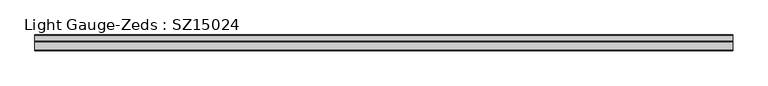
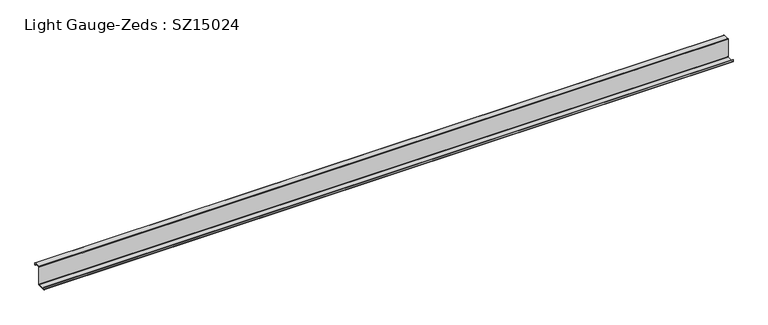
"""IFC4 building model written with IfcOpenShell, lengths in millimetres: beam geometry, Light Gauge-Zeds : SZ15024."""

import ifcopenshell
import ifcopenshell.guid

model = None  # the IFC model being written
_history = None  # IfcOwnerHistory: only IFC2X3 demands one
_inside = {}  # id of a spatial element -> (the spatial element, [elements in it])
_under = {}  # id of a project, library or spatial element -> (it, [spatial elements below it])
_declared = {}  # id of a project -> (the project, [libraries it declares])
_typed = {}  # id of a type object -> (the type object, [elements of that type])
_made_of = {}  # id of a material, layer set ... -> (it, [elements and type objects made of it])


def new_model(schema):
    """Start an empty IFC model of exactly this schema.

    Asked for "IFC4X3", IfcOpenShell would pick the latest addendum, in which some entities
    have other attributes; the version numbers below select the first issue.
    IFC2X3 requires an IfcOwnerHistory on every rooted entity: one is made here for all.
    """
    global model, _history
    if schema == "IFC4X3":
        model = ifcopenshell.file(schema_version=(4, 3, 0, 0))
    else:
        model = ifcopenshell.file(schema=schema)
    _inside.clear()
    _under.clear()
    _declared.clear()
    _typed.clear()
    _made_of.clear()
    _history = None
    if model.schema == "IFC2X3":
        org = make("IfcOrganization", Name="unknown")
        user = make(
            "IfcPersonAndOrganization",
            ThePerson=make("IfcPerson", FamilyName="unknown"),
            TheOrganization=org,
        )
        app = make(
            "IfcApplication",
            ApplicationDeveloper=org,
            Version="unknown",
            ApplicationFullName="unknown",
            ApplicationIdentifier="unknown",
        )
        _history = make(
            "IfcOwnerHistory",
            OwningUser=user,
            OwningApplication=app,
            ChangeAction="ADDED",
            CreationDate=0,
        )
    return model


def make(cls, **values):
    """One entity of the class cls with the attributes given. An attribute that is None is left unset."""
    return model.create_entity(
        cls, **{name: value for name, value in values.items() if value is not None}
    )


def rooted(cls, **values):
    """An entity with a GlobalId (a new one), such as an element, a storey or a relation."""
    return make(cls, GlobalId=ifcopenshell.guid.new(), OwnerHistory=_history, **values)


def si_unit(unit_type, name, prefix=None):
    """IfcSIUnit, for example si_unit("LENGTHUNIT", "METRE", prefix="MILLI")."""
    return make("IfcSIUnit", UnitType=unit_type, Prefix=prefix, Name=name)


def assignment(units):
    """IfcUnitAssignment: the units of a project."""
    return None if units is None else make("IfcUnitAssignment", Units=units)


def point(xyz):
    """IfcCartesianPoint."""
    return None if xyz is None else make("IfcCartesianPoint", Coordinates=xyz)


def direction(xyz):
    """IfcDirection."""
    return None if xyz is None else make("IfcDirection", DirectionRatios=xyz)


def frame(location, z_axis=None, x_axis=None):
    """IfcAxis2Placement3D, a coordinate frame: its origin and axes. An axis left out is left unset."""
    return make(
        "IfcAxis2Placement3D",
        Location=point(location),
        Axis=direction(z_axis),
        RefDirection=direction(x_axis),
    )


def frame_2d(location, x_axis=None):
    """IfcAxis2Placement2D, a coordinate frame in the plane: its origin and x axis."""
    return make(
        "IfcAxis2Placement2D", Location=point(location), RefDirection=direction(x_axis)
    )


def origin():
    """The frame at (0, 0, 0) with its axes left unset."""
    return frame((0.0, 0.0, 0.0))


def place(relative_to, where):
    """IfcLocalPlacement: puts the frame where relative to a parent placement (None: the world)."""
    return make(
        "IfcLocalPlacement", PlacementRelTo=relative_to, RelativePlacement=where
    )


def context(
    kind, dimensions, precision=None, world=None, true_north=None, identifier=None
):
    """IfcGeometricRepresentationContext, for example the 3D "Model" context."""
    return make(
        "IfcGeometricRepresentationContext",
        ContextIdentifier=identifier,
        ContextType=kind,
        CoordinateSpaceDimension=dimensions,
        Precision=precision,
        WorldCoordinateSystem=world,
        TrueNorth=true_north,
    )


def project(units=None, contexts=None):
    """IfcProject with its units and contexts."""
    return rooted(
        "IfcProject",
        Name="project",
        RepresentationContexts=contexts,
        UnitsInContext=assignment(units),
    )


def spatial(cls, under=None, at=None, **own):
    """A site, building, storey or space (cls), placed at a placement, below another one or the project."""
    s = rooted(cls, ObjectPlacement=at, **own)
    if under is not None:
        _under.setdefault(under.id(), (under, []))[1].append(s)
    return s


def polyline(points):
    """IfcPolyline through the points."""
    return make("IfcPolyline", Points=[point(p) for p in points])


def circle_curve(where, radius):
    """IfcCircle in the frame where."""
    return make("IfcCircle", Position=where, Radius=radius)


def trimmed(basis, trim1, trim2, sense, master):
    """IfcTrimmedCurve: the piece of a basis curve between two trims."""
    return make(
        "IfcTrimmedCurve",
        BasisCurve=basis,
        Trim1=trim1,
        Trim2=trim2,
        SenseAgreement=sense,
        MasterRepresentation=master,
    )


def segment(curve, same_sense, transition):
    """IfcCompositeCurveSegment."""
    return make(
        "IfcCompositeCurveSegment",
        Transition=transition,
        SameSense=same_sense,
        ParentCurve=curve,
    )


def composite_curve(segments, self_intersect=None):
    """IfcCompositeCurve: segments joined end to end."""
    return make("IfcCompositeCurve", Segments=segments, SelfIntersect=self_intersect)


def outline(outer, holes=None, kind="AREA"):
    """IfcArbitraryClosedProfileDef: a profile drawn as a closed curve; with holes, ...WithVoids."""
    if holes is None:
        return make("IfcArbitraryClosedProfileDef", ProfileType=kind, OuterCurve=outer)
    return make(
        "IfcArbitraryProfileDefWithVoids",
        ProfileType=kind,
        OuterCurve=outer,
        InnerCurves=holes,
    )


def extrude(swept, where, along, depth):
    """IfcExtrudedAreaSolid: the profile swept, set in the frame where, extruded along a direction by depth."""
    return make(
        "IfcExtrudedAreaSolid",
        SweptArea=swept,
        Position=where,
        ExtrudedDirection=direction(along),
        Depth=depth,
    )


def shape(context_of_items, identifier, shape_type, items):
    """IfcShapeRepresentation: the items that make up one representation, for example the "Body"."""
    return make(
        "IfcShapeRepresentation",
        ContextOfItems=context_of_items,
        RepresentationIdentifier=identifier,
        RepresentationType=shape_type,
        Items=items,
    )


def source(mapping_origin, context_of_items, identifier, shape_type, items):
    """IfcRepresentationMap: a shape defined once, which mapped items show again and again."""
    return make(
        "IfcRepresentationMap",
        MappingOrigin=mapping_origin,
        MappedRepresentation=shape(context_of_items, identifier, shape_type, items),
    )


def transform(
    local_origin,
    x_axis=None,
    y_axis=None,
    z_axis=None,
    scale=None,
    scale2=None,
    scale3=None,
    uniform=True,
):
    """IfcCartesianTransformationOperator3D, or its non-uniform kind. x_axis, y_axis, z_axis: its Axis1, 2, 3."""
    if uniform:
        return make(
            "IfcCartesianTransformationOperator3D",
            Axis1=direction(x_axis),
            Axis2=direction(y_axis),
            LocalOrigin=point(local_origin),
            Scale=scale,
            Axis3=direction(z_axis),
        )
    return make(
        "IfcCartesianTransformationOperator3DnonUniform",
        Axis1=direction(x_axis),
        Axis2=direction(y_axis),
        LocalOrigin=point(local_origin),
        Scale=scale,
        Axis3=direction(z_axis),
        Scale2=scale2,
        Scale3=scale3,
    )


def mapped(mapping_source, mapping_target):
    """IfcMappedItem: shows the shape of a source again, moved by a transform."""
    return make(
        "IfcMappedItem", MappingSource=mapping_source, MappingTarget=mapping_target
    )


def made_of(thing, what):
    """Note that an element or type object is made of a material, layer set ...; save() writes the relation."""
    if what is not None:
        _made_of.setdefault(what.id(), (what, []))[1].append(thing)
    return thing


def element(
    cls,
    number,
    at=None,
    inside=None,
    cuts=None,
    type_object=None,
    material=None,
    context=None,
    identifier="Body",
    shape_type=None,
    held_by="IfcProductDefinitionShape",
    body=None,
    shapes=None,
    **own,
):
    """One element of the class cls, such as IfcWall. Its Tag is "e" and its number.

    at: its placement. inside: the storey or other place that contains it. cuts: it is an
    opening in that element (IfcRelVoidsElement). A single representation is given by context,
    identifier, shape_type and body (its items); several are given by shapes. held_by: the class
    of the entity that holds the representations. save() writes the other relations.
    """
    e = rooted(cls, Tag="e%d" % number, ObjectPlacement=at, **own)
    if body is not None:
        shapes = [shape(context, identifier, shape_type, body)]
    if shapes is not None:
        e.Representation = make(held_by, Representations=shapes)
    if inside is not None:
        _inside.setdefault(inside.id(), (inside, []))[1].append(e)
    if cuts is not None:
        rooted(
            "IfcRelVoidsElement", RelatingBuildingElement=cuts, RelatedOpeningElement=e
        )
    if type_object is not None:
        _typed.setdefault(type_object.id(), (type_object, []))[1].append(e)
    return made_of(e, material)


def aggregate(whole, parts):
    """IfcRelAggregates: a whole, such as a stair, and the parts it consists of."""
    return rooted("IfcRelAggregates", RelatingObject=whole, RelatedObjects=parts)


def save(model, path):
    """Write the relations noted so far, then the file.

    IfcRelAggregates (storeys below a building ...), IfcRelContainedInSpatialStructure (elements
    in a storey), IfcRelDefinesByType, IfcRelAssociatesMaterial and IfcRelDeclares: one each for
    every whole, place, type object, material and project.
    """
    for whole, parts in _under.values():
        aggregate(whole, parts)
    for where, things in _inside.values():
        rooted(
            "IfcRelContainedInSpatialStructure",
            RelatedElements=things,
            RelatingStructure=where,
        )
    for kind, things in _typed.values():
        rooted("IfcRelDefinesByType", RelatedObjects=things, RelatingType=kind)
    for what, things in _made_of.values():
        rooted("IfcRelAssociatesMaterial", RelatedObjects=things, RelatingMaterial=what)
    for by, libraries in _declared.values():
        rooted("IfcRelDeclares", RelatingContext=by, RelatedDefinitions=libraries)
    model.write(path)


def light_gauge_zeds_sz15024_8fef20bd(model_context):
    return source(origin(), model_context, "Body", "SweptSolid", [
        extrude(outline(composite_curve([segment(trimmed(circle_curve(frame_2d((-4.4, -71.6)), 4.4), [point((0.0, -71.6))], [point((-4.4, -76.0))], False, "CARTESIAN"), True, "CONTINUOUS"), segment(polyline([(-4.4, -76.0), (-65.6, -76.0)]), True, "CONTINUOUS"), segment(trimmed(circle_curve(frame_2d((-65.6, -71.6)), 4.4), [point((-65.6, -76.0))], [point((-70.0, -71.6))], False, "CARTESIAN"), True, "CONTINUOUS"), segment(polyline([(-70.0, -71.6), (-70.0, -56.0), (-67.6, -56.0), (-67.6, -71.6)]), True, "CONTINUOUS"), segment(trimmed(circle_curve(frame_2d((-65.6, -71.6)), 2.0), [point((-67.6, -71.6))], [point((-65.6, -73.6))], True, "CARTESIAN"), True, "CONTINUOUS"), segment(polyline([(-65.6, -73.6), (-4.4, -73.6)]), True, "CONTINUOUS"), segment(trimmed(circle_curve(frame_2d((-4.4, -71.6)), 2.0), [point((-4.4, -73.6))], [point((-2.4, -71.6))], True, "CARTESIAN"), True, "CONTINUOUS"), segment(polyline([(-2.4, -71.6), (-2.4, 71.6)]), True, "CONTINUOUS"), segment(trimmed(circle_curve(frame_2d((2.0, 71.6)), 4.4), [point((-2.4, 71.6))], [point((2.0, 76.0))], False, "CARTESIAN"), True, "CONTINUOUS"), segment(polyline([(2.0, 76.0), (47.6, 76.0)]), True, "CONTINUOUS"), segment(trimmed(circle_curve(frame_2d((47.6, 71.6)), 4.4), [point((47.6, 76.0))], [point((52.0, 71.6))], False, "CARTESIAN"), True, "CONTINUOUS"), segment(polyline([(52.0, 71.6), (52.0, 57.0), (49.6, 57.0), (49.6, 71.6)]), True, "CONTINUOUS"), segment(trimmed(circle_curve(frame_2d((47.6, 71.6)), 2.0), [point((49.6, 71.6))], [point((47.6, 73.6))], True, "CARTESIAN"), True, "CONTINUOUS"), segment(polyline([(47.6, 73.6), (2.0, 73.6)]), True, "CONTINUOUS"), segment(trimmed(circle_curve(frame_2d((2.0, 71.6)), 2.0), [point((2.0, 73.6))], [point((0.0, 71.6))], True, "CARTESIAN"), True, "CONTINUOUS"), segment(polyline([(0.0, 71.6), (0.0, -71.6)]), True, "CONTINUOUS")], self_intersect=False)), frame((-2830.0, 0.0, 0.0), z_axis=(1.0, 0.0, 0.0), x_axis=(0.0, 1.0, 0.0)), (0.0, 0.0, 1.0), 5397.512318),
    ])


if __name__ == "__main__":
    model = new_model("IFC4")
    model_context = context("Model", 3, world=origin())
    ifc_project = project(units=[si_unit("LENGTHUNIT", "METRE", prefix="MILLI")], contexts=[model_context])
    site = spatial("IfcSite", under=ifc_project)
    building = spatial("IfcBuilding", under=site)
    placement = place(None, origin())
    light_gauge_zeds_sz15024_shape = light_gauge_zeds_sz15024_8fef20bd(model_context)
    element("IfcBeam", 1, ObjectType="Light Gauge-Zeds : SZ15024", at=placement, inside=building, context=model_context, shape_type="MappedRepresentation", body=[
        mapped(light_gauge_zeds_sz15024_shape, transform((0.0, 0.0, 0.0), x_axis=(1.0, 0.0, 0.0), y_axis=(0.0, 1.0, 0.0), z_axis=(0.0, 0.0, 1.0))),
    ])
    save(model, "model.ifc")
